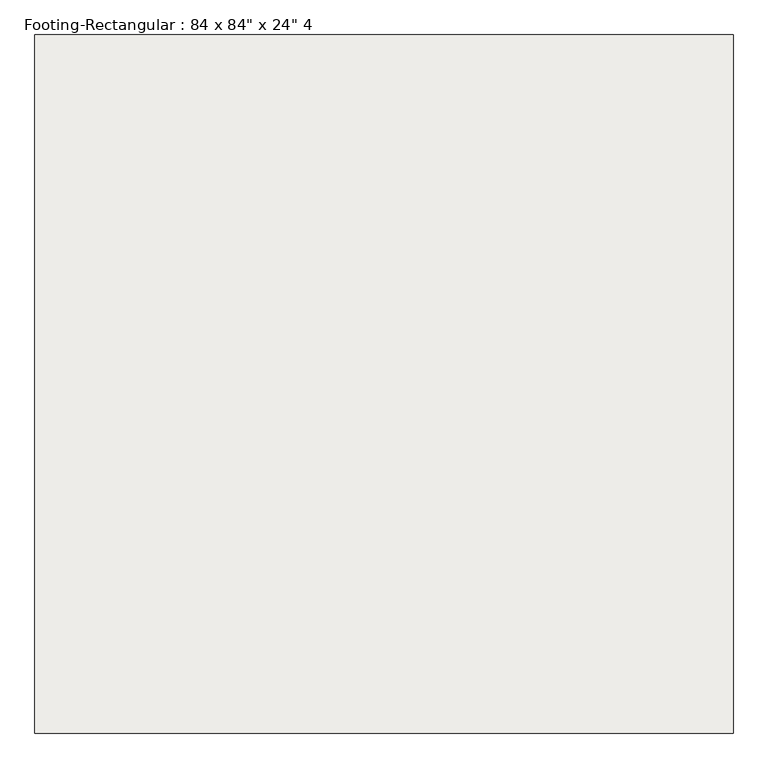
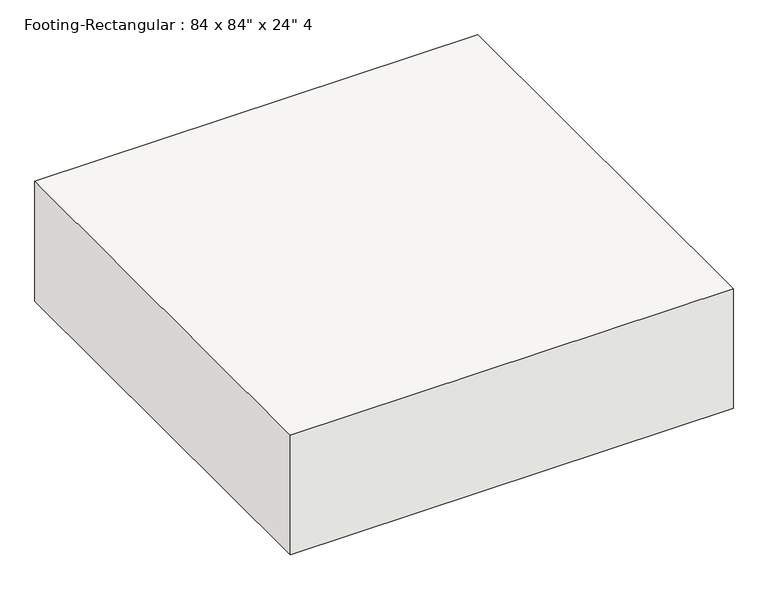
"""IFC4 building model written with IfcOpenShell, lengths in millimetres: slab geometry."""

from ifc_helpers import new_model, si_unit, frame, origin, place, context, project, spatial, polyline, outline, extrude, source, transform, mapped, element, save


def slab_2f08b741(model_context):
    return source(origin(), model_context, "Body", "SweptSolid", [
        extrude(outline(polyline([(1066.8, 1066.8), (1066.8, -1066.8), (-1066.8, -1066.8), (-1066.8, 1066.8), (1066.8, 1066.8)])), frame((0.0, 0.0, -609.6), z_axis=(0.0, 0.0, 1.0), x_axis=(1.0, 0.0, 0.0)), (0.0, 0.0, 1.0), 609.6),
    ])


if __name__ == "__main__":
    model = new_model("IFC4")
    model_context = context("Model", 3, world=origin())
    ifc_project = project(units=[si_unit("LENGTHUNIT", "METRE", prefix="MILLI")], contexts=[model_context])
    site = spatial("IfcSite", under=ifc_project)
    building = spatial("IfcBuilding", under=site)
    placement = place(None, origin())
    slab_shape = slab_2f08b741(model_context)
    element("IfcSlab", 1, ObjectType="Footing-Rectangular : 84 x 84\" x 24\" 4", at=placement, inside=building, context=model_context, shape_type="MappedRepresentation", body=[
        mapped(slab_shape, transform((0.0, 0.0, 0.0), x_axis=(1.0, 0.0, 0.0), y_axis=(0.0, 1.0, 0.0), z_axis=(0.0, 0.0, 1.0))),
    ])
    save(model, "model.ifc")
